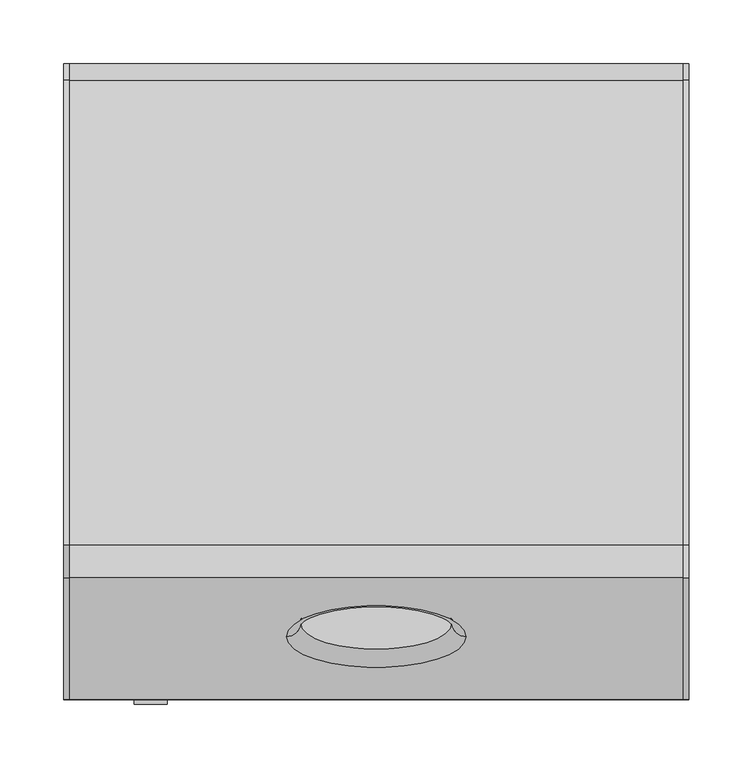
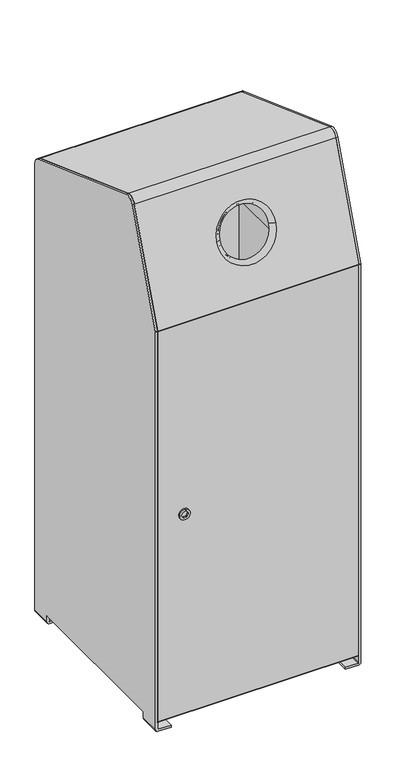
"""IFC4 building model written with IfcOpenShell, lengths in millimetres: furniture geometry."""

from ifc_helpers import new_model, si_unit, point, frame, frame_2d, origin, place, context, project, spatial, polyline, circle_curve, ellipse_curve, trimmed, segment, composite_curve, outline, extrude, source, transform, mapped, element, save
from ifc_brep_helpers import plane_surface, cylinder_surface, revolved_surface, advanced_brep


def furniture_2b4b9109(model_context):
    return source(origin(), model_context, "Body", "SolidModel", [
        extrude(outline(composite_curve([segment(trimmed(circle_curve(frame_2d((529.2365801, -177.4993721)), 13.0), [point((529.2365801, -190.4993721))], [point((529.2365801, -164.4993721))], False, "CARTESIAN"), True, "CONTINUOUS"), segment(trimmed(circle_curve(frame_2d((529.2365801, -177.4993721)), 13.0), [point((529.2365801, -164.4993721))], [point((529.2365801, -190.4993721))], False, "CARTESIAN"), True, "CONTINUOUS")], self_intersect=False), holes=[polyline([(528.6374322, -185.5445431), (529.8545881, -184.9631828), (534.7139056, -182.6421867), (535.9310615, -182.0608264), (536.0361663, -180.7160594), (536.4557816, -175.3472728), (536.5608863, -174.0025057), (535.4488351, -173.2390989), (531.0091329, -170.1913084), (529.8970817, -169.4279016), (528.6799258, -170.0092619), (523.8206083, -172.330258), (522.6034524, -172.9116182), (522.4983476, -174.2563853), (522.0787323, -179.6251719), (521.9736276, -180.969939), (523.0856788, -181.7333458), (527.525381, -184.7811362), (528.6374322, -185.5445431)])]), frame((0.0, -252.5491325, 0.0), z_axis=(0.0, 1.0, 0.0), x_axis=(0.0, 0.0, 1.0)), (0.0, 0.0, 1.0), 16.337933),
        advanced_brep(
        [(241.0, -150.2343599, 1275.4073507), (241.0, -128.4452429, 1285.5677828), (241.0, 236.8143424, 1152.6241659), (241.0, 248.0, 1136.6493914), (241.0, 248.0, 1012.2934168), (241.0, 251.0, 1012.2934168), (241.0, 251.0, 1136.6493914), (241.0, 237.8404029, 1155.4432438), (241.0, -127.4191825, 1288.3868606), (241.0, -153.0534378, 1276.4334111), (241.0, -248.8190779, 1013.3194773), (241.0, -249.0, 1012.2934168), (241.0, -246.0, 1012.2934168), (-241.0, -150.2343599, 1275.4073507), (-241.0, -246.0, 1012.2934168), (-241.0, -249.0, 1012.2934168), (-241.0, -248.8190779, 1013.3194773), (-241.0, -153.0534378, 1276.4334111), (-241.0, -127.4191825, 1288.3868606), (-241.0, 237.8404029, 1155.4432438), (-241.0, 251.0, 1136.6493914), (-241.0, 251.0, 1012.2934168), (-241.0, 248.0, 1012.2934168), (-241.0, 248.0, 1136.6493914), (-241.0, 236.8143424, 1152.6241659), (-241.0, -128.4452429, 1285.5677828), (-70.5652998, -196.5739835, 1148.0902811), (70.5652998, -196.5739835, 1148.0902811), (70.56257, -199.3930614, 1149.1163415), (-70.56257, -199.3930614, 1149.1163415), (59.5626319, -189.0217742, 1145.3415017), (-59.5626319, -189.0217742, 1145.3415017), (-62.538387, -189.0311528, 1145.3449153), (62.538387, -189.0311528, 1145.3449153)],
        [
            (0, 1, circle_curve(frame((241.0, -134.2595853, 1269.5930082), z_axis=(-1.0, 0.0, 0.0), x_axis=(0.0, 0.3420201433256436, 0.9396926207859176)), 17.0)),
            (1, 2),
            (2, 3, circle_curve(frame((241.0, 231.0, 1136.6493914), z_axis=(-1.0, 0.0, 0.0), x_axis=(0.0, 1.0, 4.9744208752146794e-12)), 17.0)),
            (3, 4),
            (4, 5),
            (5, 6),
            (6, 7, circle_curve(frame((241.0, 231.0, 1136.6493914), z_axis=(1.0, 0.0, 0.0), x_axis=(0.0, 1.0, 4.9744208752146794e-12)), 20.0)),
            (7, 8),
            (8, 9, circle_curve(frame((241.0, -134.2595853, 1269.5930082), z_axis=(1.0, 0.0, 0.0), x_axis=(0.0, 0.3420201433256436, 0.9396926207859176)), 20.0)),
            (9, 10),
            (10, 11, circle_curve(frame((241.0, -246.0, 1012.2934168), z_axis=(1.0, 0.0, 0.0), x_axis=(0.0, -0.9396926208113076, 0.3420201432558851)), 3.0)),
            (11, 12),
            (12, 0),
            (13, 14),
            (14, 15),
            (15, 16, circle_curve(frame((-241.0, -246.0, 1012.2934168), z_axis=(-1.0, 0.0, 0.0), x_axis=(0.0, -0.9396926208113076, 0.3420201432558851)), 3.0)),
            (16, 17),
            (17, 18, circle_curve(frame((-241.0, -134.2595853, 1269.5930082), z_axis=(-1.0, 0.0, 0.0), x_axis=(0.0, 0.3420201433256436, 0.9396926207859176)), 20.0)),
            (18, 19),
            (19, 20, circle_curve(frame((-241.0, 231.0, 1136.6493914), z_axis=(-1.0, 0.0, 0.0), x_axis=(0.0, 1.0, 4.9744208752146794e-12)), 20.0)),
            (20, 21),
            (21, 22),
            (22, 23),
            (23, 24, circle_curve(frame((-241.0, 231.0, 1136.6493914), z_axis=(1.0, 0.0, 0.0), x_axis=(0.0, 1.0, 4.9744208752146794e-12)), 17.0)),
            (24, 25),
            (25, 13, circle_curve(frame((-241.0, -134.2595853, 1269.5930082), z_axis=(1.0, 0.0, 0.0), x_axis=(0.0, 0.3420201433256436, 0.9396926207859176)), 17.0)),
            (12, 14),
            (13, 0),
            (26, 27, circle_curve(frame((0.0, -196.5739835, 1148.0902811), z_axis=(0.0, -0.9396926208115011, 0.34202014325535357), x_axis=(-1.0, 0.0, 0.0)), 70.5652998)),
            (27, 26, circle_curve(frame((0.0, -196.5739835, 1148.0902811), z_axis=(0.0, -0.9396926208115011, 0.34202014325535357), x_axis=(1.0, 0.0, 0.0)), 70.5652998)),
            (9, 17),
            (16, 10),
            (28, 29, circle_curve(frame((0.0, -199.3930614, 1149.1163415), z_axis=(0.0, 0.9396926208115011, -0.34202014325535357), x_axis=(-1.0, 0.0, 0.0)), 70.56257)),
            (29, 28, circle_curve(frame((0.0, -199.3930614, 1149.1163415), z_axis=(0.0, 0.9396926208115011, -0.34202014325535357), x_axis=(1.0, 0.0, 0.0)), 70.56257)),
            (15, 11),
            (25, 1),
            (24, 2),
            (23, 3),
            (22, 4),
            (21, 5),
            (20, 6),
            (19, 7),
            (18, 8),
            (30, 31, circle_curve(frame((0.0, -189.0217742, 1145.3415017), z_axis=(0.0, 0.9396926208115011, -0.34202014325535357), x_axis=(-1.0, 0.0, 0.0)), 59.5626319)),
            (31, 29, circle_curve(frame((-70.56257, -189.0564425, 1145.35412), z_axis=(0.0, -0.34202014325535374, -0.9396926208115013), x_axis=(0.34202014325535346, -0.8830222216075876, 0.32139380478594837)), 11.0)),
            (28, 30, circle_curve(frame((70.56257, -189.0564425, 1145.35412), z_axis=(0.0, -0.3420201432553535, -0.9396926208115013), x_axis=(-0.34202014325535346, -0.8830222216075871, 0.3213938047859496)), 11.0)),
            (26, 32, circle_curve(frame((-70.5652998, -189.0311528, 1145.3449153), z_axis=(0.0, 0.34202014325535374, 0.9396926208115013), x_axis=(0.34202014325535346, -0.8830222216075876, 0.32139380478594837)), 8.0269128)),
            (32, 33, circle_curve(frame((0.0, -189.0311528, 1145.3449153), z_axis=(0.0, -0.9396926208115011, 0.34202014325535357), x_axis=(-1.0, 0.0, 0.0)), 62.538387)),
            (33, 27, circle_curve(frame((70.5652998, -189.0311528, 1145.3449153), z_axis=(0.0, 0.3420201432553535, 0.9396926208115013), x_axis=(-0.34202014325535346, -0.8830222216075871, 0.3213938047859495)), 8.0269128)),
            (31, 30, circle_curve(frame((0.0, -189.0217742, 1145.3415017), z_axis=(0.0, 0.9396926208115011, -0.34202014325535357), x_axis=(1.0, 0.0, 0.0)), 59.5626319)),
            (32, 33, circle_curve(frame((0.0, -189.0217742, 1145.3415017), z_axis=(0.0, 0.9396926208115011, -0.34202014325535357), x_axis=(1.0, 0.0, 0.0)), 62.5383878)),
        ],
        [
            plane_surface(frame((241.0, -128.4452429, 1285.5677828), z_axis=(1.0000000000000002, 0.0, 0.0), x_axis=(0.0, 0.9396926207859176, -0.3420201433256436))),
            plane_surface(frame((-241.0, -128.4452429, 1285.5677828), z_axis=(-1.0000000000000002, 0.0, 0.0), x_axis=(0.0, -0.9396926207859176, 0.3420201433256436))),
            plane_surface(frame((241.0, -246.0, 1012.2934168), z_axis=(0.0, 0.9396926208114998, -0.34202014325535696), x_axis=(-1.0, 0.0, 0.0))),
            plane_surface(frame((241.0, -153.0534378, 1276.4334111), z_axis=(0.0, -0.9396926208114992, 0.34202014325535846), x_axis=(-1.0, 0.0, 0.0))),
            cylinder_surface(frame((-241.0, -246.0, 1012.2934168), z_axis=(1.0, 0.0, 0.0), x_axis=(0.0, -0.9396926208113076, 0.3420201432558851)), 3.0),
            plane_surface(frame((241.0, -249.0, 1012.2934168), z_axis=(0.0, 0.0, -1.0), x_axis=(-1.0, 0.0, 0.0))),
            revolved_surface(polyline([(-241.0, -128.44524286346405, 1285.5677827533607), (241.00000000000023, -128.44524286346405, 1285.5677827533607)]), (-241.0, -134.2595853, 1269.5930082), (-1.0000000000000002, 0.0, 0.0)),
            plane_surface(frame((241.0, -128.4452429, 1285.5677828), z_axis=(0.0, -0.3420201433256728, -0.939692620785907), x_axis=(-1.0, 0.0, 0.0))),
            revolved_surface(polyline([(-241.0, 248.0, 1136.6493914000846), (241.0, 248.0, 1136.6493914000846)]), (-241.0, 231.0, 1136.6493914), (-1.0, 0.0, 0.0)),
            plane_surface(frame((241.0, 248.0, 1136.6493914), z_axis=(0.0, -1.0, 0.0), x_axis=(-1.0, 0.0, 0.0))),
            plane_surface(frame((241.0, 248.0, 1012.2934168), z_axis=(0.0, 0.0, -1.0), x_axis=(-1.0, 0.0, 0.0))),
            plane_surface(frame((241.0, 251.0, 1012.2934168), z_axis=(0.0, 1.0, 0.0), x_axis=(-1.0, 0.0, 0.0))),
            cylinder_surface(frame((-241.0, 231.0, 1136.6493914), z_axis=(1.0, 0.0, 0.0), x_axis=(0.0, 1.0, 4.9744208752146794e-12)), 20.0),
            plane_surface(frame((241.0, 237.8404029, 1155.4432438), z_axis=(0.0, 0.3420201433256737, 0.9396926207859067), x_axis=(-1.0, 0.0, 0.0))),
            cylinder_surface(frame((-241.0, -134.2595853, 1269.5930082), z_axis=(1.0000000000000002, 0.0, 0.0), x_axis=(0.0, 0.3420201433256436, 0.9396926207859176)), 20.0),
            revolved_surface(trimmed(ellipse_curve(frame((-70.56257, -189.0564425, 1145.35412), z_axis=(0.0, 0.34202014325535374, 0.9396926208115013), x_axis=(0.34202014325535346, -0.8830222216075876, 0.32139380478594837)), 11.0, 11.0), [point((-70.56257, -199.3930614, 1149.1163415))], [point((-59.5626319, -189.0217742, 1145.3415017))], True, "CARTESIAN"), (0.0, -199.3930614, 1149.1163415), (0.0, -0.9396926208115011, 0.34202014325535357)),
            revolved_surface(trimmed(ellipse_curve(frame((-70.5652998, -189.0311528, 1145.3449153), z_axis=(0.0, -0.34202014325535374, -0.9396926208115013), x_axis=(0.34202014325535346, -0.8830222216075876, 0.32139380478594837)), 8.0269128, 8.0269128), [point((-62.538387, -189.0311528, 1145.3449153))], [point((-70.5652998, -196.5739835, 1148.0902811))], True, "CARTESIAN"), (0.0, -199.3930614, 1149.1163415), (0.0, -0.9396926208115011, 0.34202014325535357)),
            revolved_surface(trimmed(ellipse_curve(frame((70.56257, -189.0564425, 1145.35412), z_axis=(0.0, -0.3420201432553536, -0.9396926208115013), x_axis=(-0.3420201432553535, -0.8830222216075878, 0.3213938047859472)), 11.0, 11.0), [point((70.56257, -199.3930614, 1149.1163415))], [point((59.5626319, -189.0217742, 1145.3415017))], True, "CARTESIAN"), (0.0, -199.3930614, 1149.1163415), (0.0, -0.9396926208115011, 0.34202014325535357)),
            plane_surface(frame((0.0, -189.0217742, 1145.3415017), z_axis=(0.0, 0.9396926208115011, -0.34202014325535357), x_axis=(1.0, 0.0, 0.0))),
            revolved_surface(trimmed(ellipse_curve(frame((70.5652998, -189.0311528, 1145.3449153), z_axis=(0.0, 0.3420201432553536, 0.9396926208115013), x_axis=(-0.3420201432553535, -0.8830222216075878, 0.3213938047859472)), 8.0269128, 8.0269128), [point((62.538387, -189.0311528, 1145.3449153))], [point((70.5652998, -196.5739835, 1148.0902811))], True, "CARTESIAN"), (0.0, -199.3930614, 1149.1163415), (0.0, -0.9396926208115011, 0.34202014325535357)),
        ],
        [
            (0, [[1, 2, 3, 4, 5, 6, 7, 8, 9, 10, 11, 12, 13]]),
            (1, [[14, 15, 16, 17, 18, 19, 20, 21, 22, 23, 24, 25, 26]]),
            (2, [[-13, 27, -14, 28], [29, 30]]),
            (3, [[-10, 31, -17, 32], [33, 34]]),
            (4, [[-11, -32, -16, 35]]),
            (5, [[-12, -35, -15, -27]]),
            (6, [[-1, -28, -26, 36]]),
            (7, [[-2, -36, -25, 37]]),
            (8, [[-3, -37, -24, 38]]),
            (9, [[-4, -38, -23, 39]]),
            (10, [[-5, -39, -22, 40]]),
            (11, [[-6, -40, -21, 41]]),
            (12, [[-7, -41, -20, 42]]),
            (13, [[-8, -42, -19, 43]]),
            (14, [[-9, -43, -18, -31]]),
            (15, [[44, 45, -33, 46]]),
            (16, [[-29, 47, 48, 49]]),
            (17, [[-45, 50, -46, -34]]),
            (18, [[-48, 51], [-44, -50]]),
            (19, [[-47, -30, -49, -51]]),
        ],
    ),
        extrude(outline(composite_curve([segment(trimmed(circle_curve(frame_2d((-147.9570796, 188.4694269)), 51.0), [point((-198.9570796, 188.4694269))], [point((-147.9570796, 239.4694269))], False, "CARTESIAN"), True, "CONTINUOUS"), segment(polyline([(-147.9570796, 239.4694269), (150.0429204, 239.4694269)]), True, "CONTINUOUS"), segment(trimmed(circle_curve(frame_2d((150.0429204, 188.4694269)), 51.0), [point((150.0429204, 239.4694269))], [point((201.0429204, 188.4694269))], False, "CARTESIAN"), True, "CONTINUOUS"), segment(polyline([(201.0429204, 188.4694269), (201.0429204, -187.5305731)]), True, "CONTINUOUS"), segment(trimmed(circle_curve(frame_2d((150.0429204, -187.5305731)), 51.0), [point((201.0429204, -187.5305731))], [point((150.0429204, -238.5305731))], False, "CARTESIAN"), True, "CONTINUOUS"), segment(polyline([(150.0429204, -238.5305731), (-147.9570796, -238.5305731)]), True, "CONTINUOUS"), segment(trimmed(circle_curve(frame_2d((-147.9570796, -187.5305731)), 51.0), [point((-147.9570796, -238.5305731))], [point((-198.9570796, -187.5305731))], False, "CARTESIAN"), True, "CONTINUOUS"), segment(polyline([(-198.9570796, -187.5305731), (-198.9570796, 188.4694269)]), True, "CONTINUOUS")], self_intersect=False), holes=[composite_curve([segment(polyline([(-195.9570796, 188.4694269), (-195.9570796, -187.5305731)]), True, "CONTINUOUS"), segment(trimmed(circle_curve(frame_2d((-147.9570796, -187.5305731)), 48.0), [point((-195.9570796, -187.5305731))], [point((-147.9570796, -235.5305731))], True, "CARTESIAN"), True, "CONTINUOUS"), segment(polyline([(-147.9570796, -235.5305731), (150.0429204, -235.5305731)]), True, "CONTINUOUS"), segment(trimmed(circle_curve(frame_2d((150.0429204, -187.5305731)), 48.0), [point((150.0429204, -235.5305731))], [point((198.0429204, -187.5305731))], True, "CARTESIAN"), True, "CONTINUOUS"), segment(polyline([(198.0429204, -187.5305731), (198.0429204, 188.4694269)]), True, "CONTINUOUS"), segment(trimmed(circle_curve(frame_2d((150.0429204, 188.4694269)), 48.0), [point((198.0429204, 188.4694269))], [point((150.0429204, 236.4694269))], True, "CARTESIAN"), True, "CONTINUOUS"), segment(polyline([(150.0429204, 236.4694269), (-147.9570796, 236.4694269)]), True, "CONTINUOUS"), segment(trimmed(circle_curve(frame_2d((-147.9570796, 188.4694269)), 48.0), [point((-147.9570796, 236.4694269))], [point((-195.9570796, 188.4694269))], True, "CARTESIAN"), True, "CONTINUOUS")], self_intersect=False)]), frame((0.0, 0.0, 938.2905849), z_axis=(0.0, 0.0, 1.0), x_axis=(1.0, 0.0, 0.0)), (0.0, 0.0, 1.0), 50.0),
        advanced_brep(
        [(240.0012864, -249.0, 5.0), (208.6132741, -249.0, 5.0), (208.6132741, -249.0, 0.0), (240.0292186, -249.0, 0.0), (246.0, -249.0, 5.9707814), (246.0, -249.0, 1012.2934168), (241.0, -249.0, 1012.2934168), (241.0, -249.0, 5.9987136), (240.0012864, -199.0, 5.0), (241.0, -199.0, 5.9987136), (241.0, -199.0, 21.5867259), (246.0, -199.0, 21.5867259), (246.0, -199.0, 5.9707814), (240.0292186, -199.0, 0.0), (208.6132741, -199.0, 0.0), (208.6132741, -199.0, 5.0), (241.0, -248.8190779, 1013.3194773), (241.0, -153.0534378, 1276.4334111), (241.0, -127.4191825, 1288.3868606), (241.0, 237.8404029, 1155.4432438), (241.0, 251.0, 1136.6493914), (241.0, 251.0, 6.0), (241.0, 201.0, 5.9987136), (241.0, 201.0, 21.5867259), (246.0, 201.0, 21.5867259), (246.0, 201.0, 6.0), (246.0, 251.0, 5.9707814), (246.0, 251.0, 1136.6493914), (246.0, 237.8404029, 1155.4432438), (246.0, -127.4191825, 1288.3868606), (246.0, -153.0534378, 1276.4334111), (246.0, -248.8190779, 1013.3194773), (240.0012864, 201.0, 5.0), (208.6132741, 201.0, 5.0), (208.6132741, 201.0, 0.0), (240.0292186, 201.0, 0.0), (240.0292186, 251.0, 0.0), (208.6132741, 251.0, 0.0), (208.6132741, 251.0, 5.0), (240.0012864, 251.0, 5.0)],
        [
            (0, 1),
            (1, 2),
            (2, 3),
            (3, 4, circle_curve(frame((240.0292186, -249.0, 5.9707814), z_axis=(0.0, -1.0, 0.0), x_axis=(-1.0, 0.0, 0.0)), 5.9707814)),
            (4, 5),
            (5, 6),
            (6, 7),
            (7, 0, circle_curve(frame((240.0012864, -249.0, 5.9987136), z_axis=(0.0, 1.0, 0.0), x_axis=(-1.0, 0.0, 0.0)), 0.9987136)),
            (8, 9, circle_curve(frame((240.0012864, -199.0, 5.9987136), z_axis=(0.0, -1.0, 0.0), x_axis=(-1.0, 0.0, 0.0)), 0.9987136)),
            (9, 10),
            (10, 11),
            (11, 12),
            (12, 13, circle_curve(frame((240.0292186, -199.0, 5.9707814), z_axis=(0.0, 1.0, 0.0), x_axis=(-1.0, 0.0, 0.0)), 5.9707814)),
            (13, 14),
            (14, 15),
            (15, 8),
            (7, 9),
            (8, 0),
            (6, 16, circle_curve(frame((241.0, -246.0, 1012.2934168), z_axis=(-1.0, -8.301981324645261e-12, 1.463863300554757e-12), x_axis=(8.301981324645208e-12, -0.9396926208113076, 0.3420201432558851)), 3.0)),
            (16, 17),
            (17, 18, circle_curve(frame((241.0, -134.2595853, 1269.5930082), z_axis=(-1.0, 0.0, 0.0), x_axis=(0.0, 0.3420201433256436, 0.9396926207859176)), 20.0)),
            (18, 19),
            (19, 20, circle_curve(frame((241.0, 231.0, 1136.6493914), z_axis=(-1.0, 0.0, 0.0), x_axis=(0.0, 1.0, 4.9744208752146794e-12)), 20.0)),
            (20, 21),
            (21, 22),
            (22, 23),
            (23, 10),
            (4, 12),
            (11, 24),
            (24, 25),
            (25, 26),
            (26, 27),
            (27, 28, circle_curve(frame((246.0, 231.0, 1136.6493914), z_axis=(1.0, 0.0, 0.0), x_axis=(0.0, 1.0, 4.9744208752146794e-12)), 20.0)),
            (28, 29),
            (29, 30, circle_curve(frame((246.0, -134.2595853, 1269.5930082), z_axis=(1.0, 0.0, 0.0), x_axis=(0.0, 0.3420201433256436, 0.9396926207859176)), 20.0)),
            (30, 31),
            (31, 5, circle_curve(frame((246.0, -246.0, 1012.2934168), z_axis=(1.0, 8.301981324645261e-12, -1.463863300554757e-12), x_axis=(8.301981324645208e-12, -0.9396926208113076, 0.3420201432558851)), 3.0)),
            (3, 13),
            (2, 14),
            (1, 15),
            (28, 19),
            (18, 29),
            (17, 30),
            (16, 31),
            (23, 24),
            (22, 32, circle_curve(frame((240.0012864, 201.0, 5.9987136), z_axis=(0.0, 1.0, 0.0), x_axis=(-1.0, 0.0, 0.0)), 0.9987136)),
            (32, 33),
            (33, 34),
            (34, 35),
            (35, 25, circle_curve(frame((240.0292186, 201.0, 5.9707814), z_axis=(0.0, -1.0, 0.0), x_axis=(-1.0, 0.0, 0.0)), 5.9707814)),
            (20, 27),
            (26, 36, circle_curve(frame((240.0292186, 251.0, 5.9707814), z_axis=(0.0, 1.0, 0.0), x_axis=(-1.0, 0.0, 0.0)), 5.9707814)),
            (36, 37),
            (37, 38),
            (38, 39),
            (39, 21, circle_curve(frame((240.0012864, 251.0, 5.9987136), z_axis=(0.0, -1.0, 0.0), x_axis=(-1.0, 0.0, 0.0)), 0.9987136)),
            (39, 32),
            (35, 36),
            (34, 37),
            (33, 38),
        ],
        [
            plane_surface(frame((208.6132741, -249.0, 5.0), z_axis=(0.0, -1.0, 0.0), x_axis=(-1.0, 0.0, 0.0))),
            plane_surface(frame((208.6132741, -199.0, 5.0), z_axis=(0.0, 1.0, 0.0), x_axis=(1.0, 0.0, 0.0))),
            revolved_surface(polyline([(239.0025728, -199.0, 5.9987136), (239.0025728, -249.0, 5.9987136)]), (240.0012864, -199.0, 5.9987136), (0.0, 1.0, 0.0)),
            plane_surface(frame((241.0, -249.0, 9.3360268), z_axis=(-1.0, 0.0, 0.0), x_axis=(0.0, 1.0, 0.0))),
            plane_surface(frame((246.0, -249.0, 5.9707814), z_axis=(1.0, 0.0, 0.0), x_axis=(0.0, 1.0, 0.0))),
            cylinder_surface(frame((240.0292186, -199.0, 5.9707814), z_axis=(0.0, -1.0, 0.0), x_axis=(-1.0, 0.0, 0.0)), 5.9707814),
            plane_surface(frame((208.6132741, -249.0, 0.0), z_axis=(0.0, 0.0, -1.0), x_axis=(0.0, 1.0, 0.0))),
            plane_surface(frame((208.6132741, -249.0, 5.0), z_axis=(-1.0, 0.0, 0.0), x_axis=(0.0, 1.0, 0.0))),
            plane_surface(frame((240.0012864, -249.0, 5.0), z_axis=(0.0, 0.0, 1.0), x_axis=(0.0, 1.0, 0.0))),
            plane_surface(frame((246.0, 237.8404029, 1155.4432438), z_axis=(0.0, 0.342020143325669, 0.9396926207859083), x_axis=(-1.0, 0.0, 0.0))),
            cylinder_surface(frame((241.0, -134.2595853, 1269.5930082), z_axis=(1.0000000000000002, 0.0, 0.0), x_axis=(0.0, 0.3420201433256436, 0.9396926207859176)), 20.0),
            plane_surface(frame((246.0, -153.0534378, 1276.4334111), z_axis=(0.0, -0.939692620811501, 0.34202014325535374), x_axis=(-1.0, 0.0, 0.0))),
            cylinder_surface(frame((241.0, -246.0, 1012.2934168), z_axis=(1.0, 8.301981324645261e-12, -1.463863300554757e-12), x_axis=(8.301981324645208e-12, -0.9396926208113076, 0.3420201432558851)), 3.0),
            plane_surface(frame((246.0, -199.0, 21.5867259), z_axis=(0.0, 0.0, -1.0), x_axis=(-1.0, 0.0, 0.0))),
            plane_surface(frame((246.0, 201.0, 21.5867259), z_axis=(0.0, -1.0, 0.0), x_axis=(-1.0, 0.0, 0.0))),
            plane_surface(frame((246.0, 251.0, 6.0), z_axis=(0.0, 1.0, 0.0), x_axis=(-1.0, 0.0, 0.0))),
            cylinder_surface(frame((241.0, 231.0, 1136.6493914), z_axis=(1.0, 0.0, 0.0), x_axis=(0.0, 1.0, 4.9744208752146794e-12)), 20.0),
            revolved_surface(polyline([(239.0025728, 201.0, 5.9987136), (239.0025728, 251.0, 5.9987136)]), (240.0012864, 201.0, 5.9987136), (0.0, -1.0, 0.0)),
            cylinder_surface(frame((240.0292186, 201.0, 5.9707814), z_axis=(0.0, 1.0, 0.0), x_axis=(-1.0, 0.0, 0.0)), 5.9707814),
            plane_surface(frame((240.0292186, 251.0, 0.0), z_axis=(0.0, 0.0, -1.0), x_axis=(0.0, -1.0, 0.0))),
            plane_surface(frame((208.6132741, 251.0, 0.0), z_axis=(-1.0, 0.0, 0.0), x_axis=(0.0, -1.0, 0.0))),
            plane_surface(frame((208.6132741, 251.0, 5.0), z_axis=(0.0, 0.0, 1.0), x_axis=(0.0, -1.0, 0.0))),
        ],
        [
            (0, [[1, 2, 3, 4, 5, 6, 7, 8]]),
            (1, [[9, 10, 11, 12, 13, 14, 15, 16]]),
            (2, [[-8, 17, -9, 18]]),
            (3, [[-17, -7, 19, 20, 21, 22, 23, 24, 25, 26, 27, -10]]),
            (4, [[28, -12, 29, 30, 31, 32, 33, 34, 35, 36, 37, -5]]),
            (5, [[-4, 38, -13, -28]]),
            (6, [[-3, 39, -14, -38]]),
            (7, [[-2, 40, -15, -39]]),
            (8, [[-1, -18, -16, -40]]),
            (9, [[-34, 41, -22, 42]]),
            (10, [[-35, -42, -21, 43]]),
            (11, [[-36, -43, -20, 44]]),
            (12, [[-37, -44, -19, -6]]),
            (13, [[-29, -11, -27, 45]]),
            (14, [[-45, -26, 46, 47, 48, 49, 50, -30]]),
            (15, [[51, -32, 52, 53, 54, 55, 56, -24]]),
            (16, [[-33, -51, -23, -41]]),
            (17, [[-56, 57, -46, -25]]),
            (18, [[-52, -31, -50, 58]]),
            (19, [[-53, -58, -49, 59]]),
            (20, [[-54, -59, -48, 60]]),
            (21, [[-55, -60, -47, -57]]),
        ],
    ),
        advanced_brep(
        [(-240.0012864, -249.0, 5.0), (-241.0, -249.0, 5.9987136), (-241.0, -249.0, 1012.2934168), (-246.0, -249.0, 1012.2934168), (-246.0, -249.0, 5.9707814), (-240.0292186, -249.0, 0.0), (-208.6132741, -249.0, 0.0), (-208.6132741, -249.0, 5.0), (-240.0012864, -199.0, 5.0), (-208.6132741, -199.0, 5.0), (-208.6132741, -199.0, 0.0), (-240.0292186, -199.0, 0.0), (-246.0, -199.0, 5.9707814), (-246.0, -199.0, 21.5867259), (-241.0, -199.0, 21.5867259), (-241.0, -199.0, 5.9987136), (-241.0, 201.0, 21.5867259), (-241.0, 201.0, 6.0), (-241.0, 251.0, 5.9987136), (-241.0, 251.0, 1136.6493914), (-241.0, 237.8404029, 1155.4432438), (-241.0, -127.4191825, 1288.3868606), (-241.0, -153.0534378, 1276.4334111), (-241.0, -248.8190779, 1013.3194773), (-246.0, -248.8190779, 1013.3194773), (-246.0, -153.0534378, 1276.4334111), (-246.0, -127.4191825, 1288.3868606), (-246.0, 237.8404029, 1155.4432438), (-246.0, 251.0, 1136.6493914), (-246.0, 251.0, 6.0), (-246.0, 201.0, 5.9707814), (-246.0, 201.0, 21.5867259), (-240.0292186, 201.0, 0.0), (-208.6132741, 201.0, 0.0), (-208.6132741, 201.0, 5.0), (-240.0012864, 201.0, 5.0), (-240.0012864, 251.0, 5.0), (-208.6132741, 251.0, 5.0), (-208.6132741, 251.0, 0.0), (-240.0292186, 251.0, 0.0)],
        [
            (0, 1, circle_curve(frame((-240.0012864, -249.0, 5.9987136), z_axis=(0.0, 1.0, 0.0), x_axis=(1.0, 0.0, 0.0)), 0.9987136)),
            (1, 2),
            (2, 3),
            (3, 4),
            (4, 5, circle_curve(frame((-240.0292186, -249.0, 5.9707814), z_axis=(0.0, -1.0, 0.0), x_axis=(1.0, 0.0, 0.0)), 5.9707814)),
            (5, 6),
            (6, 7),
            (7, 0),
            (8, 9),
            (9, 10),
            (10, 11),
            (11, 12, circle_curve(frame((-240.0292186, -199.0, 5.9707814), z_axis=(0.0, 1.0, 0.0), x_axis=(1.0, 0.0, 0.0)), 5.9707814)),
            (12, 13),
            (13, 14),
            (14, 15),
            (15, 8, circle_curve(frame((-240.0012864, -199.0, 5.9987136), z_axis=(0.0, -1.0, 0.0), x_axis=(1.0, 0.0, 0.0)), 0.9987136)),
            (0, 8),
            (15, 1),
            (14, 16),
            (16, 17),
            (17, 18),
            (18, 19),
            (19, 20, circle_curve(frame((-241.0, 231.0, 1136.6493914), z_axis=(1.0, 0.0, 0.0), x_axis=(0.0, 1.0, 4.9744208752146794e-12)), 20.0)),
            (20, 21),
            (21, 22, circle_curve(frame((-241.0, -134.2595853, 1269.5930082), z_axis=(1.0, 0.0, 0.0), x_axis=(0.0, 0.3420201433256436, 0.9396926207859176)), 20.0)),
            (22, 23),
            (23, 2, circle_curve(frame((-241.0, -246.0, 1012.2934168), z_axis=(1.0, -8.301981324645261e-12, 1.463863300554757e-12), x_axis=(-8.301981324645208e-12, -0.9396926208113076, 0.3420201432558851)), 3.0)),
            (12, 4),
            (3, 24, circle_curve(frame((-246.0, -246.0, 1012.2934168), z_axis=(-1.0, 8.301981324645261e-12, -1.463863300554757e-12), x_axis=(-8.301981324645208e-12, -0.9396926208113076, 0.3420201432558851)), 3.0)),
            (24, 25),
            (25, 26, circle_curve(frame((-246.0, -134.2595853, 1269.5930082), z_axis=(-1.0, 0.0, 0.0), x_axis=(0.0, 0.3420201433256436, 0.9396926207859176)), 20.0)),
            (26, 27),
            (27, 28, circle_curve(frame((-246.0, 231.0, 1136.6493914), z_axis=(-1.0, 0.0, 0.0), x_axis=(0.0, 1.0, 4.9744208752146794e-12)), 20.0)),
            (28, 29),
            (29, 30),
            (30, 31),
            (31, 13),
            (11, 5),
            (10, 6),
            (9, 7),
            (26, 21),
            (20, 27),
            (25, 22),
            (24, 23),
            (31, 16),
            (30, 32, circle_curve(frame((-240.0292186, 201.0, 5.9707814), z_axis=(0.0, -1.0, 0.0), x_axis=(1.0, 0.0, 0.0)), 5.9707814)),
            (32, 33),
            (33, 34),
            (34, 35),
            (35, 17, circle_curve(frame((-240.0012864, 201.0, 5.9987136), z_axis=(0.0, 1.0, 0.0), x_axis=(1.0, 0.0, 0.0)), 0.9987136)),
            (28, 19),
            (18, 36, circle_curve(frame((-240.0012864, 251.0, 5.9987136), z_axis=(0.0, -1.0, 0.0), x_axis=(1.0, 0.0, 0.0)), 0.9987136)),
            (36, 37),
            (37, 38),
            (38, 39),
            (39, 29, circle_curve(frame((-240.0292186, 251.0, 5.9707814), z_axis=(0.0, 1.0, 0.0), x_axis=(1.0, 0.0, 0.0)), 5.9707814)),
            (35, 36),
            (39, 32),
            (38, 33),
            (37, 34),
        ],
        [
            plane_surface(frame((-239.0025728, -249.0, 5.9987136), z_axis=(0.0, -1.0, 0.0), x_axis=(0.0, 0.0, -1.0))),
            plane_surface(frame((-239.0025728, -199.0, 5.9987136), z_axis=(0.0, 1.0, 0.0), x_axis=(0.0, 0.0, 1.0))),
            revolved_surface(polyline([(-239.0025728, -199.0, 5.9987136), (-239.0025728, -249.0, 5.9987136)]), (-240.0012864, -199.0, 5.9987136), (0.0, 1.0, 0.0)),
            plane_surface(frame((-241.0, -249.0, 5.9987136), z_axis=(1.0, 0.0, 0.0), x_axis=(0.0, 1.0, 0.0))),
            plane_surface(frame((-246.0, -249.0, 9.3360268), z_axis=(-1.0, 0.0, 0.0), x_axis=(0.0, 1.0, 0.0))),
            cylinder_surface(frame((-240.0292186, -199.0, 5.9707814), z_axis=(0.0, -1.0, 0.0), x_axis=(1.0, 0.0, 0.0)), 5.9707814),
            plane_surface(frame((-240.0292186, -249.0, 0.0), z_axis=(0.0, 0.0, -1.0), x_axis=(0.0, 1.0, 0.0))),
            plane_surface(frame((-208.6132741, -249.0, 0.0), z_axis=(1.0, 0.0, 0.0), x_axis=(0.0, 1.0, 0.0))),
            plane_surface(frame((-208.6132741, -249.0, 5.0), z_axis=(0.0, 0.0, 1.0), x_axis=(0.0, 1.0, 0.0))),
            plane_surface(frame((-246.0, -127.4191825, 1288.3868606), z_axis=(0.0, 0.342020143325669, 0.9396926207859083), x_axis=(1.0, 0.0, 0.0))),
            cylinder_surface(frame((-241.0, -134.2595853, 1269.5930082), z_axis=(-1.0000000000000002, 0.0, 0.0), x_axis=(0.0, 0.3420201433256436, 0.9396926207859176)), 20.0),
            plane_surface(frame((-246.0, -248.8190779, 1013.3194773), z_axis=(0.0, -0.939692620811501, 0.3420201432553537), x_axis=(1.0, 0.0, 0.0))),
            cylinder_surface(frame((-241.0, -246.0, 1012.2934168), z_axis=(-1.0, 8.301981324645261e-12, -1.463863300554757e-12), x_axis=(-8.301981324645208e-12, -0.9396926208113076, 0.3420201432558851)), 3.0),
            plane_surface(frame((-246.0, 201.0, 21.5867259), z_axis=(0.0, 0.0, -1.0), x_axis=(1.0, 0.0, 0.0))),
            plane_surface(frame((-246.0, 201.0, 6.0), z_axis=(0.0, -1.0, 0.0), x_axis=(1.0, 0.0, 0.0))),
            plane_surface(frame((-246.0, 251.0, 1136.6493914), z_axis=(0.0, 1.0, 0.0), x_axis=(1.0, 0.0, 0.0))),
            cylinder_surface(frame((-241.0, 231.0, 1136.6493914), z_axis=(-1.0, 0.0, 0.0), x_axis=(0.0, 1.0, 4.9744208752146794e-12)), 20.0),
            revolved_surface(polyline([(-239.0025728, 201.0, 5.9987136), (-239.0025728, 251.0, 5.9987136)]), (-240.0012864, 201.0, 5.9987136), (0.0, -1.0, 0.0)),
            cylinder_surface(frame((-240.0292186, 201.0, 5.9707814), z_axis=(0.0, 1.0, 0.0), x_axis=(1.0, 0.0, 0.0)), 5.9707814),
            plane_surface(frame((-208.6132741, 251.0, 0.0), z_axis=(0.0, 0.0, -1.0), x_axis=(0.0, -1.0, 0.0))),
            plane_surface(frame((-208.6132741, 251.0, 5.0), z_axis=(1.0, 0.0, 0.0), x_axis=(0.0, -1.0, 0.0))),
            plane_surface(frame((-240.0012864, 251.0, 5.0), z_axis=(0.0, 0.0, 1.0), x_axis=(0.0, -1.0, 0.0))),
        ],
        [
            (0, [[1, 2, 3, 4, 5, 6, 7, 8]]),
            (1, [[9, 10, 11, 12, 13, 14, 15, 16]]),
            (2, [[-1, 17, -16, 18]]),
            (3, [[-18, -15, 19, 20, 21, 22, 23, 24, 25, 26, 27, -2]]),
            (4, [[28, -4, 29, 30, 31, 32, 33, 34, 35, 36, 37, -13]]),
            (5, [[-5, -28, -12, 38]]),
            (6, [[-6, -38, -11, 39]]),
            (7, [[-7, -39, -10, 40]]),
            (8, [[-8, -40, -9, -17]]),
            (9, [[-32, 41, -24, 42]]),
            (10, [[-31, 43, -25, -41]]),
            (11, [[-30, 44, -26, -43]]),
            (12, [[-29, -3, -27, -44]]),
            (13, [[-37, 45, -19, -14]]),
            (14, [[-45, -36, 46, 47, 48, 49, 50, -20]]),
            (15, [[51, -22, 52, 53, 54, 55, 56, -34]]),
            (16, [[-33, -42, -23, -51]]),
            (17, [[-52, -21, -50, 57]]),
            (18, [[-56, 58, -46, -35]]),
            (19, [[-55, 59, -47, -58]]),
            (20, [[-54, 60, -48, -59]]),
            (21, [[-53, -57, -49, -60]]),
        ],
    ),
        extrude(outline(composite_curve([segment(polyline([(-249.0, 1012.2934168), (-246.0, 1012.2934168), (-246.0, 49.767257), (248.0, 49.767257), (248.0, 1012.2934168), (251.0, 1012.2934168), (251.0, 47.7866454), (-247.0, 47.7866454), (-247.0, 24.5355237)]), True, "CONTINUOUS"), segment(trimmed(circle_curve(frame_2d((-246.2317333, 24.5355237)), 0.7682667), [point((-247.0, 24.5355237))], [point((-246.2317333, 23.767257))], True, "CARTESIAN"), True, "CONTINUOUS"), segment(polyline([(-246.2317333, 23.767257), (-235.0, 23.767257), (-235.0, 21.767257), (-246.2, 21.767257)]), True, "CONTINUOUS"), segment(trimmed(circle_curve(frame_2d((-246.2, 24.567257)), 2.8), [point((-246.2, 21.767257))], [point((-249.0, 24.567257))], False, "CARTESIAN"), True, "CONTINUOUS"), segment(polyline([(-249.0, 24.567257), (-249.0, 1012.2934168)]), True, "CONTINUOUS")], self_intersect=False)), frame((-241.0, 0.0, 0.0), z_axis=(1.0, 0.0, 0.0), x_axis=(0.0, 1.0, 0.0)), (0.0, 0.0, 1.0), 482.0),
    ])


if __name__ == "__main__":
    model = new_model("IFC4")
    model_context = context("Model", 3, world=origin())
    ifc_project = project(units=[si_unit("LENGTHUNIT", "METRE", prefix="MILLI")], contexts=[model_context])
    site = spatial("IfcSite", under=ifc_project)
    building = spatial("IfcBuilding", under=site)
    placement = place(None, origin())
    furniture_shape = furniture_2b4b9109(model_context)
    element("IfcFurniture", 1, at=placement, inside=building, context=model_context, shape_type="MappedRepresentation", body=[
        mapped(furniture_shape, transform((0.0, 0.0, 0.0), x_axis=(1.0, 0.0, 0.0), y_axis=(0.0, 1.0, 0.0), z_axis=(0.0, 0.0, 1.0))),
    ])
    save(model, "model.ifc")
